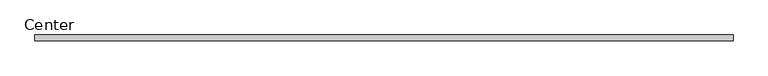
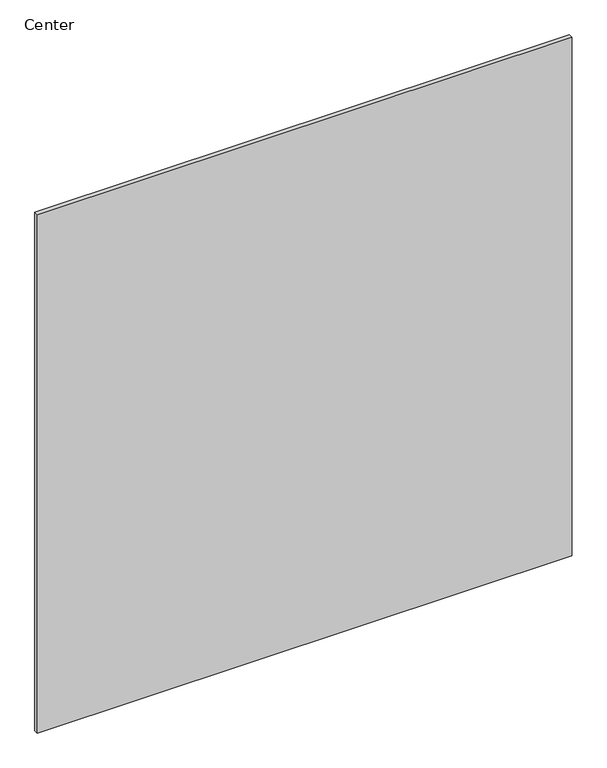
"""IFC4 building model written with IfcOpenShell, lengths in millimetres: plate geometry, Center."""

from ifc_helpers import new_model, si_unit, origin, origin_with_axes, place, context, project, spatial, polyline, outline, extrude, source, transform, mapped, element, save


def center_dfbc74a5(model_context):
    return source(origin(), model_context, "Body", "SweptSolid", [
        extrude(outline(polyline([(577.5999998, 4.7625), (577.5999998, -4.7625), (-598.2374998, -4.7625), (-598.2374998, 4.7625), (577.5999998, 4.7625)])), origin_with_axes(), (0.0, 0.0, 1.0), 1205.0499991),
    ])


if __name__ == "__main__":
    model = new_model("IFC4")
    model_context = context("Model", 3, world=origin())
    ifc_project = project(units=[si_unit("LENGTHUNIT", "METRE", prefix="MILLI")], contexts=[model_context])
    site = spatial("IfcSite", under=ifc_project)
    building = spatial("IfcBuilding", under=site)
    placement = place(None, origin())
    center_shape = center_dfbc74a5(model_context)
    element("IfcPlate", 1, ObjectType="Center", at=placement, inside=building, context=model_context, shape_type="MappedRepresentation", body=[
        mapped(center_shape, transform((0.0, 0.0, 0.0), x_axis=(1.0, 0.0, 0.0), y_axis=(0.0, 1.0, 0.0), z_axis=(0.0, 0.0, 1.0))),
    ])
    save(model, "model.ifc")
